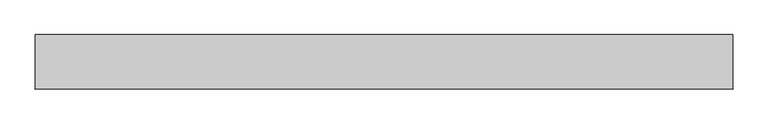
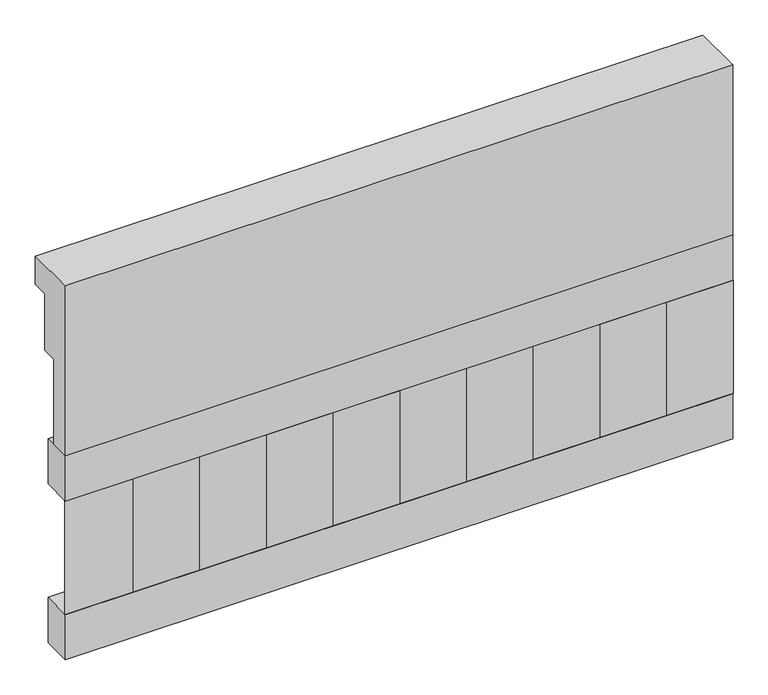
"""IFC4 building model written with IfcOpenShell, lengths in millimetres: railing geometry."""

from ifc_helpers import new_model, si_unit, frame, origin, place, context, project, spatial, polyline, outline, extrude, source, transform, mapped, element, save


def railing_7b5111ba(model_context):
    return source(origin(), model_context, "Body", "SweptSolid", [
        extrude(outline(polyline([(903.1079487, 15200.0), (1033.1079487, 15200.0), (1033.1079487, 15125.0), (993.1079487, 15125.0), (993.1079487, 14975.0), (953.1079487, 14975.0), (953.1079487, 14750.0), (903.1079487, 14750.0), (903.1079487, 15200.0)])), frame((26190.0112841, 0.0, 0.0), z_axis=(1.0, 0.0, 0.0), x_axis=(0.0, 1.0, 0.0)), (0.0, 0.0, 1.0), 1670.0),
        extrude(outline(polyline([(27860.0112841, 978.1079487), (27860.0112841, 903.1079487), (26190.0112841, 903.1079487), (26190.0112841, 978.1079487), (27860.0112841, 978.1079487)])), frame((0.0, 0.0, 14630.0), z_axis=(0.0, 0.0, 1.0), x_axis=(1.0, 0.0, 0.0)), (0.0, 0.0, 1.0), 120.0),
        extrude(outline(polyline([(27860.0112841, 978.1079487), (27860.0112841, 903.1079487), (26190.0112841, 903.1079487), (26190.0112841, 978.1079487), (27860.0112841, 978.1079487)])), frame((0.0, 0.0, 14210.0), z_axis=(0.0, 0.0, 1.0), x_axis=(1.0, 0.0, 0.0)), (0.0, 0.0, 1.0), 120.0),
        extrude(outline(polyline([(26273.5112841, 987.9607624), (26358.3640978, 903.1079487), (26188.6584704, 903.1079487), (26273.5112841, 987.9607624)])), frame((0.0, 0.0, 14330.0), z_axis=(0.0, 0.0, 1.0), x_axis=(1.0, 0.0, 0.0)), (0.0, 0.0, 1.0), 300.0),
        extrude(outline(polyline([(26440.5112841, 987.9607624), (26525.3640978, 903.1079487), (26355.6584704, 903.1079487), (26440.5112841, 987.9607624)])), frame((0.0, 0.0, 14330.0), z_axis=(0.0, 0.0, 1.0), x_axis=(1.0, 0.0, 0.0)), (0.0, 0.0, 1.0), 300.0),
        extrude(outline(polyline([(26607.5112841, 987.9607624), (26692.3640978, 903.1079487), (26522.6584704, 903.1079487), (26607.5112841, 987.9607624)])), frame((0.0, 0.0, 14330.0), z_axis=(0.0, 0.0, 1.0), x_axis=(1.0, 0.0, 0.0)), (0.0, 0.0, 1.0), 300.0),
        extrude(outline(polyline([(26774.5112841, 987.9607624), (26859.3640978, 903.1079487), (26689.6584704, 903.1079487), (26774.5112841, 987.9607624)])), frame((0.0, 0.0, 14330.0), z_axis=(0.0, 0.0, 1.0), x_axis=(1.0, 0.0, 0.0)), (0.0, 0.0, 1.0), 300.0),
        extrude(outline(polyline([(26941.5112841, 987.9607624), (27026.3640978, 903.1079487), (26856.6584704, 903.1079487), (26941.5112841, 987.9607624)])), frame((0.0, 0.0, 14330.0), z_axis=(0.0, 0.0, 1.0), x_axis=(1.0, 0.0, 0.0)), (0.0, 0.0, 1.0), 300.0),
        extrude(outline(polyline([(27108.5112841, 987.9607624), (27193.3640978, 903.1079487), (27023.6584704, 903.1079487), (27108.5112841, 987.9607624)])), frame((0.0, 0.0, 14330.0), z_axis=(0.0, 0.0, 1.0), x_axis=(1.0, 0.0, 0.0)), (0.0, 0.0, 1.0), 300.0),
        extrude(outline(polyline([(27275.5112841, 987.9607624), (27360.3640978, 903.1079487), (27190.6584704, 903.1079487), (27275.5112841, 987.9607624)])), frame((0.0, 0.0, 14330.0), z_axis=(0.0, 0.0, 1.0), x_axis=(1.0, 0.0, 0.0)), (0.0, 0.0, 1.0), 300.0),
        extrude(outline(polyline([(27442.5112841, 987.9607624), (27527.3640978, 903.1079487), (27357.6584704, 903.1079487), (27442.5112841, 987.9607624)])), frame((0.0, 0.0, 14330.0), z_axis=(0.0, 0.0, 1.0), x_axis=(1.0, 0.0, 0.0)), (0.0, 0.0, 1.0), 300.0),
        extrude(outline(polyline([(27609.5112841, 987.9607624), (27694.3640978, 903.1079487), (27524.6584704, 903.1079487), (27609.5112841, 987.9607624)])), frame((0.0, 0.0, 14330.0), z_axis=(0.0, 0.0, 1.0), x_axis=(1.0, 0.0, 0.0)), (0.0, 0.0, 1.0), 300.0),
        extrude(outline(polyline([(27776.5112841, 987.9607624), (27861.3640978, 903.1079487), (27691.6584704, 903.1079487), (27776.5112841, 987.9607624)])), frame((0.0, 0.0, 14330.0), z_axis=(0.0, 0.0, 1.0), x_axis=(1.0, 0.0, 0.0)), (0.0, 0.0, 1.0), 300.0),
    ])


if __name__ == "__main__":
    model = new_model("IFC4")
    model_context = context("Model", 3, world=origin())
    ifc_project = project(units=[si_unit("LENGTHUNIT", "METRE", prefix="MILLI")], contexts=[model_context])
    site = spatial("IfcSite", under=ifc_project)
    building = spatial("IfcBuilding", under=site)
    placement = place(None, origin())
    railing_shape = railing_7b5111ba(model_context)
    element("IfcRailing", 1, at=placement, inside=building, context=model_context, shape_type="MappedRepresentation", body=[
        mapped(railing_shape, transform((0.0, 0.0, 0.0), x_axis=(1.0, 0.0, 0.0), y_axis=(0.0, 1.0, 0.0), z_axis=(0.0, 0.0, 1.0))),
    ])
    save(model, "model.ifc")
